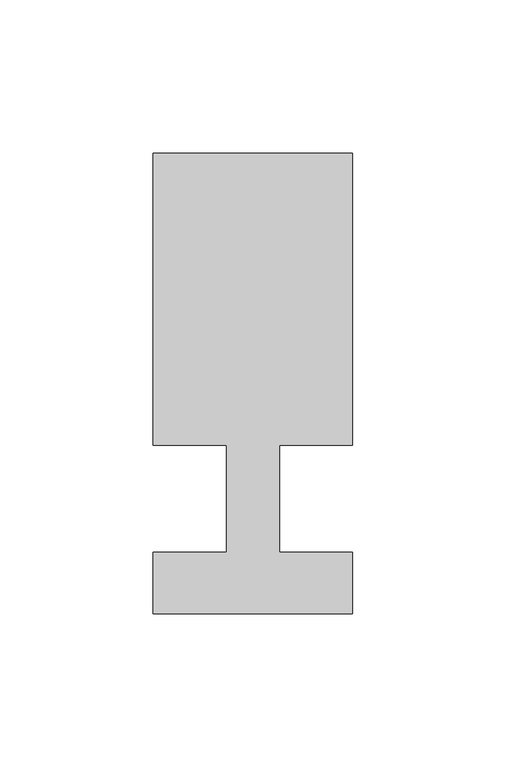
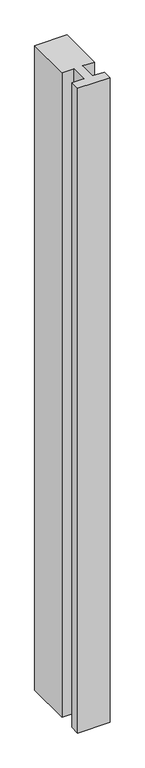
"""IFC4 building model written with IfcOpenShell, lengths in millimetres: member geometry."""

from ifc_helpers import new_model, si_unit, frame, origin, place, context, project, spatial, polyline, outline, extrude, source, transform, mapped, element, save


def member_d11c79de(model_context):
    return source(origin(), model_context, "Body", "SweptSolid", [
        extrude(outline(polyline([(0.0, -37.0), (-65.0, -37.0), (-65.0, -17.0), (-41.1875, -17.0), (-41.1875, 18.0), (-65.0, 18.0), (-65.0, 113.0), (0.0, 113.0), (0.0, 18.0), (-23.8125, 18.0), (-23.8125, -17.0), (0.0, -17.0), (0.0, -37.0)])), frame((0.0, 0.0, -1370.0), z_axis=(0.0, 0.0, 1.0), x_axis=(1.0, 0.0, 0.0)), (0.0, 0.0, 1.0), 1370.0),
    ])


if __name__ == "__main__":
    model = new_model("IFC4")
    model_context = context("Model", 3, world=origin())
    ifc_project = project(units=[si_unit("LENGTHUNIT", "METRE", prefix="MILLI")], contexts=[model_context])
    site = spatial("IfcSite", under=ifc_project)
    building = spatial("IfcBuilding", under=site)
    placement = place(None, origin())
    member_shape = member_d11c79de(model_context)
    element("IfcMember", 1, at=placement, inside=building, context=model_context, shape_type="MappedRepresentation", body=[
        mapped(member_shape, transform((0.0, 0.0, 0.0), x_axis=(1.0, 0.0, 0.0), y_axis=(0.0, 1.0, 0.0), z_axis=(0.0, 0.0, 1.0))),
    ])
    save(model, "model.ifc")
